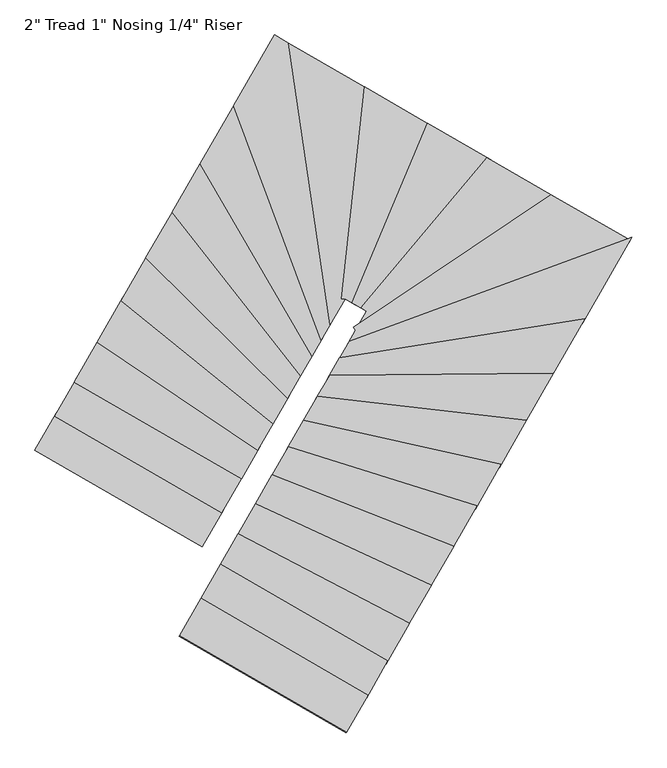
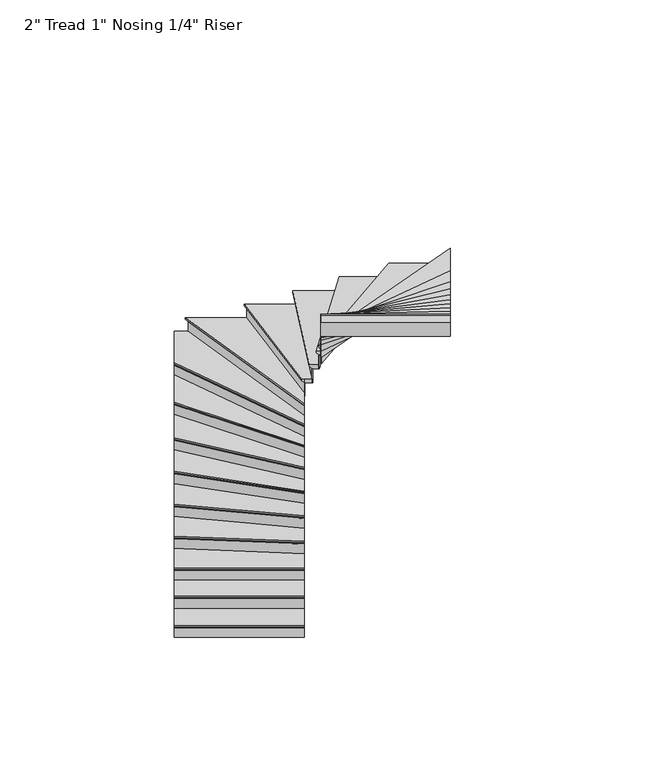
"""IFC4 building model written with IfcOpenShell, lengths in millimetres: stair flight geometry."""

from ifc_helpers import new_model, si_unit, origin, place, context, project, spatial, faceted_brep, source, transform, mapped, element, save


def stair_flight_ecb780d1(model_context):
    return source(origin(), model_context, "Body", "Brep", [
        faceted_brep([(34058.7429103, -105273.2736568, 12348.7961538), (34058.7429103, -105273.2736568, 12367.8461538), (32870.7873116, -104587.6731496, 12367.8461538), (32870.7873116, -104587.6731496, 12348.7961538), (34071.439216, -105251.274479, 12323.3961538), (32883.4836173, -104565.6739719, 12323.3961538), (34211.0985786, -105009.2835238, 12367.8461538), (33023.1429799, -104323.6830166, 12367.8461538), (32883.4836173, -104565.6739719, 12317.0461538), (33023.1429799, -104323.6830166, 12317.0461538), (34211.0985786, -105009.2835238, 12317.0461538), (34071.439216, -105251.274479, 12317.0461538)], [[[0, 1, 2, 3]], [[4, 0, 3, 5]], [[2, 1, 6, 7]], [[8, 9, 10, 11]], [[2, 7, 9, 8, 5, 3]], [[8, 11, 4, 5]], [[6, 1, 0, 4, 11, 10]], [[7, 6, 10, 9]]]),
        faceted_brep([(34071.439216, -105251.274479, 12317.0461538), (34071.439216, -105251.274479, 12192.0), (34074.6132924, -105245.7746846, 12192.0), (34074.6132924, -105245.7746846, 12317.0461538), (32883.4836173, -104565.6739719, 12317.0461538), (32886.6576937, -104560.1741774, 12317.0461538), (32886.6576937, -104560.1741774, 12192.0), (32883.4836173, -104565.6739719, 12192.0)], [[[0, 1, 2, 3]], [[4, 5, 6, 7]], [[1, 0, 4, 7]], [[2, 1, 7, 6]], [[3, 2, 6, 5]], [[0, 3, 5, 4]]]),
        faceted_brep([(34211.0985786, -105009.2835238, 12492.8923077), (34211.0985786, -105009.2835238, 12317.0461538), (34214.272655, -105003.7837293, 12317.0461538), (34214.272655, -105003.7837293, 12492.8923077), (33023.1429799, -104323.6830166, 12492.8923077), (33026.3170563, -104318.1832221, 12492.8923077), (33026.3170563, -104318.1832221, 12317.0461538), (33023.1429799, -104323.6830166, 12317.0461538)], [[[0, 1, 2, 3]], [[4, 5, 6, 7]], [[1, 0, 4, 7]], [[2, 1, 7, 6]], [[3, 2, 6, 5]], [[0, 3, 5, 4]]]),
        faceted_brep([(33010.4466742, -104345.6821943, 12543.6923077), (34198.4022729, -105031.2827015, 12543.6923077), (34350.7579412, -104767.2925685, 12543.6923077), (33162.8023424, -104081.6920613, 12543.6923077), (33023.1429799, -104323.6830166, 12492.8923077), (33162.8023424, -104081.6920613, 12492.8923077), (34350.7579412, -104767.2925685, 12492.8923077), (34211.0985786, -105009.2835238, 12492.8923077), (33023.1429799, -104323.6830166, 12499.2423077), (33010.4466742, -104345.6821943, 12524.6423077), (34211.0985786, -105009.2835238, 12499.2423077), (34198.4022729, -105031.2827015, 12524.6423077)], [[[0, 1, 2, 3]], [[4, 5, 6, 7]], [[0, 3, 5, 4, 8, 9]], [[4, 7, 10, 8]], [[2, 1, 11, 10, 7, 6]], [[3, 2, 6, 5]], [[11, 1, 0, 9]], [[10, 11, 9, 8]]]),
        faceted_brep([(34350.7579412, -104767.2925685, 12668.7384615), (34350.7579412, -104767.2925685, 12492.8923077), (34353.9320176, -104761.792774, 12492.8923077), (34353.9320176, -104761.792774, 12668.7384615), (33162.8023424, -104081.6920613, 12668.7384615), (33165.9764188, -104076.1922668, 12668.7384615), (33165.9764188, -104076.1922668, 12492.8923077), (33162.8023424, -104081.6920613, 12492.8923077)], [[[0, 1, 2, 3]], [[4, 5, 6, 7]], [[1, 0, 4, 7]], [[2, 1, 7, 6]], [[3, 2, 6, 5]], [[0, 3, 5, 4]]]),
        faceted_brep([(33150.1060367, -104103.691239, 12719.5384615), (34338.0616355, -104789.2917462, 12719.5384615), (34466.1119936, -104567.4159771, 12719.5384615), (33326.8309287, -103797.4759977, 12719.5384615), (33162.8023424, -104081.6920613, 12668.7384615), (33326.8309287, -103797.4759977, 12668.7384615), (34466.1119936, -104567.4159771, 12668.7384615), (34350.7579412, -104767.2925685, 12668.7384615), (33162.8023424, -104081.6920613, 12675.0884615), (33150.1060367, -104103.691239, 12700.4884615), (34350.7579412, -104767.2925685, 12675.0884615), (34338.0616355, -104789.2917462, 12700.4884615)], [[[0, 1, 2, 3]], [[4, 5, 6, 7]], [[0, 3, 5, 4, 8, 9]], [[4, 7, 10, 8]], [[2, 1, 11, 10, 7, 6]], [[3, 2, 6, 5]], [[11, 1, 0, 9]], [[10, 11, 9, 8]]]),
        faceted_brep([(34466.1119936, -104567.4159771, 12844.5846154), (34466.1119936, -104567.4159771, 12668.7384615), (34469.2940592, -104561.9023397, 12668.7384615), (34469.2940592, -104561.9023397, 12844.5846154), (33326.8309287, -103797.4759977, 12844.5846154), (33330.0129943, -103791.9623602, 12844.5846154), (33330.0129943, -103791.9623602, 12668.7384615), (33326.8309287, -103797.4759977, 12668.7384615)], [[[0, 1, 2, 3]], [[4, 5, 6, 7]], [[1, 0, 4, 7]], [[2, 1, 7, 6]], [[3, 2, 6, 5]], [[0, 3, 5, 4]]]),
        faceted_brep([(33314.1026662, -103819.5305476, 12895.3846154), (34453.3837311, -104589.4705271, 12895.3846154), (34576.4243037, -104376.2753274, 12895.3846154), (33496.0843406, -103504.2067597, 12895.3846154), (33326.8309287, -103797.4759977, 12844.5846154), (33496.0843406, -103504.2067597, 12844.5846154), (34576.4243037, -104376.2753274, 12844.5846154), (34466.1119936, -104567.4159771, 12844.5846154), (33326.8309287, -103797.4759977, 12850.9346154), (33314.1026662, -103819.5305476, 12876.3346154), (34466.1119936, -104567.4159771, 12850.9346154), (34453.3837311, -104589.4705271, 12876.3346154)], [[[0, 1, 2, 3]], [[4, 5, 6, 7]], [[0, 3, 5, 4, 8, 9]], [[4, 7, 10, 8]], [[2, 1, 11, 10, 7, 6]], [[3, 2, 6, 5]], [[11, 1, 0, 9]], [[10, 11, 9, 8]]]),
        faceted_brep([(34576.4243037, -104376.2753274, 13020.4307692), (34576.4243037, -104376.2753274, 12844.5846154), (34579.6372439, -104370.7081927, 12844.5846154), (34579.6372439, -104370.7081927, 13020.4307692), (33496.0843406, -103504.2067597, 13020.4307692), (33499.2972808, -103498.6396251, 13020.4307692), (33499.2972808, -103498.6396251, 12844.5846154), (33496.0843406, -103504.2067597, 12844.5846154)], [[[0, 1, 2, 3]], [[4, 5, 6, 7]], [[1, 0, 4, 7]], [[2, 1, 7, 6]], [[3, 2, 6, 5]], [[0, 3, 5, 4]]]),
        faceted_brep([(33483.2325797, -103526.4752982, 13071.2307692), (34563.5725428, -104398.5438658, 13071.2307692), (34679.9412357, -104196.9091838, 13071.2307692), (33672.4400651, -103198.631183, 13071.2307692), (33496.0843406, -103504.2067597, 13020.4307692), (33672.4400651, -103198.631183, 13020.4307692), (34679.9412357, -104196.9091838, 13020.4307692), (34576.4243037, -104376.2753274, 13020.4307692), (33496.0843406, -103504.2067597, 13026.7807692), (33483.2325797, -103526.4752982, 13052.1807692), (34576.4243037, -104376.2753274, 13026.7807692), (34563.5725428, -104398.5438658, 13052.1807692)], [[[0, 1, 2, 3]], [[4, 5, 6, 7]], [[0, 3, 5, 4, 8, 9]], [[4, 7, 10, 8]], [[2, 1, 11, 10, 7, 6]], [[3, 2, 6, 5]], [[11, 1, 0, 9]], [[10, 11, 9, 8]]]),
        faceted_brep([(34679.9412357, -104196.9091838, 13196.2769231), (34679.9412357, -104196.9091838, 13020.4307692), (34683.2234174, -104191.222073, 13020.4307692), (34683.2234174, -104191.222073, 13196.2769231), (33672.4400651, -103198.631183, 13196.2769231), (33675.7222468, -103192.9440722, 13196.2769231), (33675.7222468, -103192.9440722, 13020.4307692), (33672.4400651, -103198.631183, 13020.4307692)], [[[0, 1, 2, 3]], [[4, 5, 6, 7]], [[1, 0, 4, 7]], [[2, 1, 7, 6]], [[3, 2, 6, 5]], [[0, 3, 5, 4]]]),
        faceted_brep([(33659.3113385, -103221.3796263, 13247.0769231), (34666.8125091, -104219.6576271, 13247.0769231), (34773.9816638, -104033.9631944, 13247.0769231), (33858.7893199, -102875.7395891, 13247.0769231), (33672.4400651, -103198.631183, 13196.2769231), (33858.7893199, -102875.7395891, 13196.2769231), (34773.9816638, -104033.9631944, 13196.2769231), (34679.9412357, -104196.9091838, 13196.2769231), (33672.4400651, -103198.631183, 13202.6269231), (33659.3113385, -103221.3796263, 13228.0269231), (34679.9412357, -104196.9091838, 13202.6269231), (34666.8125091, -104219.6576271, 13228.0269231)], [[[0, 1, 2, 3]], [[4, 5, 6, 7]], [[0, 3, 5, 4, 8, 9]], [[4, 7, 10, 8]], [[2, 1, 11, 10, 7, 6]], [[3, 2, 6, 5]], [[11, 1, 0, 9]], [[10, 11, 9, 8]]]),
        faceted_brep([(34773.9816638, -104033.9631944, 13372.1230769), (34773.9816638, -104033.9631944, 13196.2769231), (34777.3977151, -104028.0441244, 13196.2769231), (34777.3977151, -104028.0441244, 13372.1230769), (33858.7893199, -102875.7395891, 13372.1230769), (33862.2053713, -102869.8205192, 13372.1230769), (33862.2053713, -102869.8205192, 13196.2769231), (33858.7893199, -102875.7395891, 13196.2769231)], [[[0, 1, 2, 3]], [[4, 5, 6, 7]], [[1, 0, 4, 7]], [[2, 1, 7, 6]], [[3, 2, 6, 5]], [[0, 3, 5, 4]]]),
        faceted_brep([(33845.1251145, -102899.4158688, 13422.9230769), (34760.3174583, -104057.6394741, 13422.9230769), (34854.2213067, -103894.9301393, 13422.9230769), (34059.8187483, -102527.4113245, 13422.9230769), (33858.7893199, -102875.7395891, 13372.1230769), (34059.8187483, -102527.4113245, 13372.1230769), (34854.2213067, -103894.9301393, 13372.1230769), (34773.9816638, -104033.9631944, 13372.1230769), (33858.7893199, -102875.7395891, 13378.4730769), (33845.1251145, -102899.4158688, 13403.8730769), (34773.9816638, -104033.9631944, 13378.4730769), (34760.3174583, -104057.6394741, 13403.8730769)], [[[0, 1, 2, 3]], [[4, 5, 6, 7]], [[0, 3, 5, 4, 8, 9]], [[4, 7, 10, 8]], [[2, 1, 11, 10, 7, 6]], [[3, 2, 6, 5]], [[11, 1, 0, 9]], [[10, 11, 9, 8]]]),
        faceted_brep([(34854.2213067, -103894.9301393, 13547.9692308), (34854.2213067, -103894.9301393, 13372.1230769), (34857.8811513, -103888.5886433, 13372.1230769), (34857.8811513, -103888.5886433, 13547.9692308), (34059.8187483, -102527.4113245, 13547.9692308), (34063.4785929, -102521.0698284, 13547.9692308), (34063.4785929, -102521.0698284, 13372.1230769), (34059.8187483, -102527.4113245, 13372.1230769)], [[[0, 1, 2, 3]], [[4, 5, 6, 7]], [[1, 0, 4, 7]], [[2, 1, 7, 6]], [[3, 2, 6, 5]], [[0, 3, 5, 4]]]),
        faceted_brep([(34045.1793698, -102552.7773087, 13598.7692308), (34839.5819282, -103920.2961236, 13598.7692308), (34920.9943729, -103779.2309282, 13598.7692308), (34299.1595432, -102112.7000831, 13598.7692308), (34059.8187483, -102527.4113245, 13547.9692308), (34299.1595432, -102112.7000831, 13547.9692308), (34920.9943729, -103779.2309282, 13547.9692308), (34854.2213067, -103894.9301393, 13547.9692308), (34059.8187483, -102527.4113245, 13554.3192308), (34045.1793698, -102552.7773087, 13579.7192308), (34854.2213067, -103894.9301393, 13554.3192308), (34839.5819282, -103920.2961236, 13579.7192308)], [[[0, 1, 2, 3]], [[4, 5, 6, 7]], [[0, 3, 5, 4, 8, 9]], [[4, 7, 10, 8]], [[2, 1, 11, 10, 7, 6]], [[3, 2, 6, 5]], [[11, 1, 0, 9]], [[10, 11, 9, 8]]]),
        faceted_brep([(34920.9943729, -103779.2309282, 13723.8153846), (34920.9943729, -103779.2309282, 13547.9692308), (34925.1106859, -103772.098499, 13547.9692308), (34925.1106859, -103772.098499, 13723.8153846), (34299.1595432, -102112.7000831, 13723.8153846), (34303.2758562, -102105.567654, 13723.8153846), (34303.2758562, -102105.567654, 13547.9692308), (34299.1595432, -102112.7000831, 13547.9692308)], [[[0, 1, 2, 3]], [[4, 5, 6, 7]], [[1, 0, 4, 7]], [[2, 1, 7, 6]], [[3, 2, 6, 5]], [[0, 3, 5, 4]]]),
        faceted_brep([(34702.6300907, -101713.9698157, 13774.6153846), (34572.5902855, -101638.9204145, 13774.6153846), (34282.6942913, -102141.2297997, 13774.6153846), (34904.529121, -103807.7606448, 13774.6153846), (34988.6092331, -103662.0731214, 13774.6153846), (34572.5902855, -101638.9204145, 13723.8153846), (34702.6300907, -101713.9698157, 13723.8153846), (34988.6092331, -103662.0731214, 13723.8153846), (34920.9943729, -103779.2309282, 13723.8153846), (34299.1595432, -102112.7000831, 13723.8153846), (34920.9943729, -103779.2309282, 13730.1653846), (34299.1595432, -102112.7000831, 13730.1653846), (34904.529121, -103807.7606448, 13755.5653846), (34282.6942913, -102141.2297997, 13755.5653846)], [[[0, 1, 2, 3, 4]], [[5, 6, 7, 8, 9]], [[1, 0, 6, 5]], [[9, 8, 10, 11]], [[4, 3, 12, 10, 8, 7]], [[0, 4, 7, 6]], [[12, 3, 2, 13]], [[10, 12, 13, 11]], [[2, 1, 5, 9, 11, 13]]]),
        faceted_brep([(34988.6092331, -103662.0731214, 13899.6615385), (34988.6092331, -103662.0731214, 13723.8153846), (34993.725825, -103653.2074862, 13723.8153846), (34993.725825, -103653.2074862, 13899.6615385), (34702.6300907, -101713.9698157, 13899.6615385), (34709.6422249, -101718.0167033, 13899.6615385), (34709.6422249, -101718.0167033, 13723.8153846), (34702.6300907, -101713.9698157, 13723.8153846)], [[[0, 1, 2, 3]], [[4, 5, 6, 7]], [[1, 0, 4, 7]], [[2, 1, 7, 6]], [[3, 2, 6, 5]], [[0, 3, 5, 4]]]),
        faceted_brep([(34674.5815538, -101697.7822653, 13950.4615385), (34968.1428654, -103697.5356624, 13950.4615385), (35074.0644902, -103514.0028531, 13950.4615385), (35236.0103431, -102021.7976268, 13950.4615385), (34702.6300907, -101713.9698157, 13899.6615385), (35236.0103431, -102021.7976268, 13899.6615385), (35074.0644902, -103514.0028531, 13899.6615385), (34988.6092331, -103662.0731214, 13899.6615385), (34702.6300907, -101713.9698157, 13906.0115385), (34674.5815538, -101697.7822653, 13931.4115385), (34988.6092331, -103662.0731214, 13906.0115385), (34968.1428654, -103697.5356624, 13931.4115385)], [[[0, 1, 2, 3]], [[4, 5, 6, 7]], [[0, 3, 5, 4, 8, 9]], [[4, 7, 10, 8]], [[2, 1, 11, 10, 7, 6]], [[3, 2, 6, 5]], [[11, 1, 0, 9]], [[10, 11, 9, 8]]]),
        faceted_brep([(35074.0644902, -103514.0028531, 14075.5076923), (35074.0644902, -103514.0028531, 13899.6615385), (35080.3774212, -103514.6879821, 13899.6615385), (35080.3774212, -103514.6879821, 14075.5076923), (35236.0103431, -102021.7976268, 14075.5076923), (35242.0211473, -102025.2666204, 14075.5076923), (35242.0211473, -102025.2666204, 13899.6615385), (35236.0103431, -102021.7976268, 13899.6615385)], [[[0, 1, 2, 3]], [[4, 5, 6, 7]], [[1, 0, 4, 7]], [[2, 1, 7, 6]], [[3, 2, 6, 5]], [[0, 3, 5, 4]]]),
        faceted_brep([(35211.9671266, -102007.9216524, 14126.3076923), (35048.812766, -103511.2623373, 14126.3076923), (35074.0644902, -103514.0028531, 14126.3076923), (35074.945377, -103512.4765204, 14126.3076923), (35147.2728149, -103554.2185924, 14126.3076923), (35681.2119659, -102278.735225, 14126.3076923), (35236.0103431, -102021.7976268, 14075.5076923), (35681.2119659, -102278.735225, 14075.5076923), (35147.2728149, -103554.2185924, 14075.5076923), (35074.945377, -103512.4765204, 14075.5076923), (35074.0644902, -103514.0028531, 14075.5076923), (35236.0103431, -102021.7976268, 14081.8576923), (35211.9671266, -102007.9216524, 14107.2576923), (35074.0644902, -103514.0028531, 14081.8576923), (35048.812766, -103511.2623373, 14107.2576923)], [[[0, 1, 2, 3, 4, 5]], [[6, 7, 8, 9, 10]], [[0, 5, 7, 6, 11, 12]], [[6, 10, 13, 11]], [[3, 2, 13, 10, 9]], [[4, 3, 9, 8]], [[5, 4, 8, 7]], [[14, 1, 0, 12]], [[13, 14, 12, 11]], [[1, 14, 13, 2]]]),
        faceted_brep([(35147.2728149, -103554.2185924, 14251.3538462), (35147.2728149, -103554.2185924, 14075.5076923), (35152.8172476, -103557.4184307, 14075.5076923), (35152.8172476, -103557.4184307, 14251.3538462), (35681.2119659, -102278.735225, 14251.3538462), (35686.7563986, -102281.9350634, 14251.3538462), (35686.7563986, -102281.9350634, 14075.5076923), (35681.2119659, -102278.735225, 14075.5076923)], [[[0, 1, 2, 3]], [[4, 5, 6, 7]], [[1, 0, 4, 7]], [[2, 1, 7, 6]], [[3, 2, 6, 5]], [[0, 3, 5, 4]]]),
        faceted_brep([(35659.0342352, -102265.9358717, 14302.1538462), (35125.0950842, -103541.419239, 14302.1538462), (35209.7916954, -103590.2998871, 14302.1538462), (36104.2961835, -102522.9082854, 14302.1538462), (35681.2119659, -102278.735225, 14251.3538462), (36104.2961835, -102522.9082854, 14251.3538462), (35209.7916954, -103590.2998871, 14251.3538462), (35147.2728149, -103554.2185924, 14251.3538462), (35681.2119659, -102278.735225, 14257.7038462), (35659.0342352, -102265.9358717, 14283.1038462), (35147.2728149, -103554.2185924, 14257.7038462), (35125.0950842, -103541.419239, 14283.1038462)], [[[0, 1, 2, 3]], [[4, 5, 6, 7]], [[0, 3, 5, 4, 8, 9]], [[4, 7, 10, 8]], [[3, 2, 6, 5]], [[11, 1, 0, 9]], [[10, 11, 9, 8]], [[2, 1, 11, 10, 7, 6]]]),
        faceted_brep([(35209.7916954, -103590.2998871, 14427.2), (35209.7916954, -103590.2998871, 14251.3538462), (35215.3758797, -103593.5226672, 14251.3538462), (35215.3758797, -103593.5226672, 14427.2), (36104.2961835, -102522.9082854, 14427.2), (36109.8803678, -102526.1310655, 14427.2), (36109.8803678, -102526.1310655, 14251.3538462), (36104.2961835, -102522.9082854, 14251.3538462)], [[[0, 1, 2, 3]], [[4, 5, 6, 7]], [[1, 0, 4, 7]], [[2, 1, 7, 6]], [[3, 2, 6, 5]], [[0, 3, 5, 4]]]),
        faceted_brep([(36081.9594463, -102510.0171653, 14478.0), (35187.4549582, -103577.408767, 14478.0), (35227.850771, -103600.722256, 14478.0), (35150.8603109, -103734.1253779, 14478.0), (36560.749701, -102786.3396489, 14478.0), (36104.2961835, -102522.9082854, 14427.2), (36560.749701, -102786.3396489, 14427.2), (35150.8603109, -103734.1253779, 14427.2), (35227.850771, -103600.722256, 14427.2), (35209.7916954, -103590.2998871, 14427.2), (36104.2961835, -102522.9082854, 14433.55), (36081.9594463, -102510.0171653, 14458.95), (35209.7916954, -103590.2998871, 14433.55), (35187.4549582, -103577.408767, 14458.95)], [[[0, 1, 2, 3, 4]], [[5, 6, 7, 8, 9]], [[0, 4, 6, 5, 10, 11]], [[5, 9, 12, 10]], [[2, 1, 13, 12, 9, 8]], [[4, 3, 7, 6]], [[13, 1, 0, 11]], [[12, 13, 11, 10]], [[3, 2, 8, 7]]]),
        faceted_brep([(35150.8603109, -103734.1253779, 14603.0461538), (35150.8603109, -103734.1253779, 14427.2), (35154.4029692, -103739.3952994, 14427.2), (35154.4029692, -103739.3952994, 14603.0461538), (36560.749701, -102786.3396489, 14603.0461538), (36566.8739534, -102789.8741165, 14603.0461538), (36566.8739534, -102789.8741165, 14427.2), (36560.749701, -102786.3396489, 14427.2)], [[[0, 1, 2, 3]], [[4, 5, 6, 7]], [[1, 0, 4, 7]], [[2, 1, 7, 6]], [[3, 2, 6, 5]], [[0, 3, 5, 4]]]),
        faceted_brep([(37094.2233393, -103110.8142435, 14653.8461538), (37101.4068769, -103098.3671644, 14653.8461538), (36536.2526915, -102772.2017786, 14653.8461538), (35136.6896777, -103713.0456921, 14653.8461538), (35150.8603109, -103734.1253779, 14653.8461538), (35085.0928584, -103848.0821394, 14653.8461538), (37101.4068769, -103098.3671644, 14603.0461538), (37094.2233393, -103110.8142435, 14603.0461538), (35085.0928584, -103848.0821394, 14603.0461538), (35150.8603109, -103734.1253779, 14603.0461538), (36560.749701, -102786.3396489, 14603.0461538), (35150.8603109, -103734.1253779, 14609.3961538), (36560.749701, -102786.3396489, 14609.3961538), (35136.6896777, -103713.0456921, 14634.7961538), (36536.2526915, -102772.2017786, 14634.7961538)], [[[0, 1, 2, 3, 4, 5]], [[6, 7, 8, 9, 10]], [[1, 0, 7, 6]], [[10, 9, 11, 12]], [[5, 4, 11, 9, 8]], [[0, 5, 8, 7]], [[13, 3, 2, 14]], [[11, 13, 14, 12]], [[3, 13, 11, 4]], [[2, 1, 6, 10, 12, 14]]]),
        faceted_brep([(35085.0928584, -103848.0821394, 14778.8923077), (35085.0928584, -103848.0821394, 14603.0461538), (35080.1402879, -103856.6635709, 14603.0461538), (35080.1402879, -103856.6635709, 14778.8923077), (37094.2233393, -103110.8142435, 14778.8923077), (37089.2707688, -103119.3956751, 14778.8923077), (37089.2707688, -103119.3956751, 14603.0461538), (37094.2233393, -103110.8142435, 14603.0461538)], [[[0, 1, 2, 3]], [[4, 5, 6, 7]], [[1, 0, 4, 7]], [[2, 1, 7, 6]], [[3, 2, 6, 5]], [[0, 3, 5, 4]]]),
        faceted_brep([(37114.0336213, -103076.4885172, 14829.6923077), (35104.9031404, -103813.7564131, 14829.6923077), (35019.9504335, -103960.9559012, 14829.6923077), (36764.2781484, -103682.5177832, 14829.6923077), (37094.2233393, -103110.8142435, 14778.8923077), (36764.2781484, -103682.5177832, 14778.8923077), (35019.9504335, -103960.9559012, 14778.8923077), (35085.0928584, -103848.0821394, 14778.8923077), (37094.2233393, -103110.8142435, 14785.2423077), (37114.0336213, -103076.4885172, 14810.6423077), (35085.0928584, -103848.0821394, 14785.2423077), (35104.9031404, -103813.7564131, 14810.6423077)], [[[0, 1, 2, 3]], [[4, 5, 6, 7]], [[0, 3, 5, 4, 8, 9]], [[4, 7, 10, 8]], [[2, 1, 11, 10, 7, 6]], [[3, 2, 6, 5]], [[11, 1, 0, 9]], [[10, 11, 9, 8]]]),
        faceted_brep([(35019.9504335, -103960.9559012, 14954.7384615), (35019.9504335, -103960.9559012, 14778.8923077), (35015.8627092, -103968.0387942, 14778.8923077), (35015.8627092, -103968.0387942, 14954.7384615), (36764.2781484, -103682.5177832, 14954.7384615), (36760.1904241, -103689.6006762, 14954.7384615), (36760.1904241, -103689.6006762, 14778.8923077), (36764.2781484, -103682.5177832, 14778.8923077)], [[[0, 1, 2, 3]], [[4, 5, 6, 7]], [[1, 0, 4, 7]], [[2, 1, 7, 6]], [[3, 2, 6, 5]], [[0, 3, 5, 4]]]),
        faceted_brep([(36780.6290459, -103654.1862112, 15005.5384615), (35036.301331, -103932.6243292, 15005.5384615), (34951.5828788, -104079.4179189, 15005.5384615), (36542.1715296, -104067.3669754, 15005.5384615), (36764.2781484, -103682.5177832, 14954.7384615), (36542.1715296, -104067.3669754, 14954.7384615), (34951.5828788, -104079.4179189, 14954.7384615), (35019.9504335, -103960.9559012, 14954.7384615), (36764.2781484, -103682.5177832, 14961.0884615), (36780.6290459, -103654.1862112, 14986.4884615), (35019.9504335, -103960.9559012, 14961.0884615), (35036.301331, -103932.6243292, 14986.4884615)], [[[0, 1, 2, 3]], [[4, 5, 6, 7]], [[0, 3, 5, 4, 8, 9]], [[4, 7, 10, 8]], [[2, 1, 11, 10, 7, 6]], [[3, 2, 6, 5]], [[11, 1, 0, 9]], [[10, 11, 9, 8]]]),
        faceted_brep([(34951.5828788, -104079.4179189, 15130.5846154), (34951.5828788, -104079.4179189, 14954.7384615), (34947.901926, -104085.7959895, 14954.7384615), (34947.901926, -104085.7959895, 15130.5846154), (36542.1715296, -104067.3669754, 15130.5846154), (36538.4905768, -104073.745046, 15130.5846154), (36538.4905768, -104073.745046, 14954.7384615), (36542.1715296, -104067.3669754, 14954.7384615)], [[[0, 1, 2, 3]], [[4, 5, 6, 7]], [[1, 0, 4, 7]], [[2, 1, 7, 6]], [[3, 2, 6, 5]], [[0, 3, 5, 4]]]),
        faceted_brep([(36556.8953407, -104041.8546928, 15181.3846154), (34966.3066899, -104053.9056363, 15181.3846154), (34866.3512228, -104227.1007485, 15181.3846154), (36349.8802275, -104400.5544899, 15181.3846154), (36542.1715296, -104067.3669754, 15130.5846154), (36349.8802275, -104400.5544899, 15130.5846154), (34866.3512228, -104227.1007485, 15130.5846154), (34951.5828788, -104079.4179189, 15130.5846154), (36542.1715296, -104067.3669754, 15136.9346154), (36556.8953407, -104041.8546928, 15162.3346154), (34951.5828788, -104079.4179189, 15136.9346154), (34966.3066899, -104053.9056363, 15162.3346154)], [[[0, 1, 2, 3]], [[4, 5, 6, 7]], [[0, 3, 5, 4, 8, 9]], [[4, 7, 10, 8]], [[2, 1, 11, 10, 7, 6]], [[3, 2, 6, 5]], [[11, 1, 0, 9]], [[10, 11, 9, 8]]]),
        faceted_brep([(34866.3512228, -104227.1007485, 15306.4307692), (34866.3512228, -104227.1007485, 15130.5846154), (34862.8947409, -104233.0898734, 15130.5846154), (34862.8947409, -104233.0898734, 15306.4307692), (36349.8802275, -104400.5544899, 15306.4307692), (36346.4237456, -104406.5436147, 15306.4307692), (36346.4237456, -104406.5436147, 15130.5846154), (36349.8802275, -104400.5544899, 15130.5846154)], [[[0, 1, 2, 3]], [[4, 5, 6, 7]], [[1, 0, 4, 7]], [[2, 1, 7, 6]], [[3, 2, 6, 5]], [[0, 3, 5, 4]]]),
        faceted_brep([(36363.7061551, -104376.5979906, 15357.2307692), (34880.1771504, -104203.1442492, 15357.2307692), (34767.3003859, -104398.7283874, 15357.2307692), (36170.6479419, -104711.1143493, 15357.2307692), (36349.8802275, -104400.5544899, 15306.4307692), (36170.6479419, -104711.1143493, 15306.4307692), (34767.3003859, -104398.7283874, 15306.4307692), (34866.3512228, -104227.1007485, 15306.4307692), (36349.8802275, -104400.5544899, 15312.7807692), (36363.7061551, -104376.5979906, 15338.1807692), (34866.3512228, -104227.1007485, 15312.7807692), (34880.1771504, -104203.1442492, 15338.1807692)], [[[0, 1, 2, 3]], [[4, 5, 6, 7]], [[0, 3, 5, 4, 8, 9]], [[4, 7, 10, 8]], [[2, 1, 11, 10, 7, 6]], [[3, 2, 6, 5]], [[11, 1, 0, 9]], [[10, 11, 9, 8]]]),
        faceted_brep([(34767.3003859, -104398.7283874, 15482.2769231), (34767.3003859, -104398.7283874, 15306.4307692), (34763.9733544, -104404.4932107, 15306.4307692), (34763.9733544, -104404.4932107, 15482.2769231), (36170.6479419, -104711.1143493, 15482.2769231), (36167.3209103, -104716.8791726, 15482.2769231), (36167.3209103, -104716.8791726, 15306.4307692), (36170.6479419, -104711.1143493, 15306.4307692)], [[[0, 1, 2, 3]], [[4, 5, 6, 7]], [[1, 0, 4, 7]], [[2, 1, 7, 6]], [[3, 2, 6, 5]], [[0, 3, 5, 4]]]),
        faceted_brep([(36183.9560681, -104688.0550562, 15533.0769231), (34780.6085122, -104375.6690942, 15533.0769231), (34659.0883244, -104586.2298886, 15533.0769231), (36000.1395375, -105006.5581412, 15533.0769231), (36170.6479419, -104711.1143493, 15482.2769231), (36000.1395375, -105006.5581412, 15482.2769231), (34659.0883244, -104586.2298886, 15482.2769231), (34767.3003859, -104398.7283874, 15482.2769231), (36170.6479419, -104711.1143493, 15488.6269231), (36183.9560681, -104688.0550562, 15514.0269231), (34767.3003859, -104398.7283874, 15488.6269231), (34780.6085122, -104375.6690942, 15514.0269231)], [[[0, 1, 2, 3]], [[4, 5, 6, 7]], [[0, 3, 5, 4, 8, 9]], [[4, 7, 10, 8]], [[2, 1, 11, 10, 7, 6]], [[3, 2, 6, 5]], [[11, 1, 0, 9]], [[10, 11, 9, 8]]]),
        faceted_brep([(34659.0883244, -104586.2298886, 15658.1230769), (34659.0883244, -104586.2298886, 15482.2769231), (34655.8360753, -104591.8651347, 15482.2769231), (34655.8360753, -104591.8651347, 15658.1230769), (36000.1395375, -105006.5581412, 15658.1230769), (35996.8872884, -105012.1933873, 15658.1230769), (35996.8872884, -105012.1933873, 15482.2769231), (36000.1395375, -105006.5581412, 15482.2769231)], [[[0, 1, 2, 3]], [[4, 5, 6, 7]], [[1, 0, 4, 7]], [[2, 1, 7, 6]], [[3, 2, 6, 5]], [[0, 3, 5, 4]]]),
        faceted_brep([(36013.1485342, -104984.0171568, 15708.9230769), (34672.097321, -104563.6889042, 15708.9230769), (34544.4958065, -104784.7869517, 15708.9230769), (35835.7520981, -105291.395998, 15708.9230769), (36000.1395375, -105006.5581412, 15658.1230769), (35835.7520981, -105291.395998, 15658.1230769), (34544.4958065, -104784.7869517, 15658.1230769), (34659.0883244, -104586.2298886, 15658.1230769), (36000.1395375, -105006.5581412, 15664.4730769), (36013.1485342, -104984.0171568, 15689.8730769), (34659.0883244, -104586.2298886, 15664.4730769), (34672.097321, -104563.6889042, 15689.8730769)], [[[0, 1, 2, 3]], [[4, 5, 6, 7]], [[0, 3, 5, 4, 8, 9]], [[4, 7, 10, 8]], [[2, 1, 11, 10, 7, 6]], [[3, 2, 6, 5]], [[11, 1, 0, 9]], [[10, 11, 9, 8]]]),
        faceted_brep([(34544.4958065, -104784.7869517, 15833.9692308), (34544.4958065, -104784.7869517, 15658.1230769), (34541.2859034, -104790.348824, 15658.1230769), (34541.2859034, -104790.348824, 15833.9692308), (35835.7520981, -105291.395998, 15833.9692308), (35832.5421949, -105296.9578703, 15833.9692308), (35832.5421949, -105296.9578703, 15658.1230769), (35835.7520981, -105291.395998, 15658.1230769)], [[[0, 1, 2, 3]], [[4, 5, 6, 7]], [[1, 0, 4, 7]], [[2, 1, 7, 6]], [[3, 2, 6, 5]], [[0, 3, 5, 4]]]),
        faceted_brep([(35848.5917108, -105269.1485089, 15884.7692308), (34557.3354193, -104762.5394626, 15884.7692308), (34425.2836892, -104991.3484999, 15884.7692308), (35675.8265187, -105568.5026883, 15884.7692308), (35835.7520981, -105291.395998, 15833.9692308), (35675.8265187, -105568.5026883, 15833.9692308), (34425.2836892, -104991.3484999, 15833.9692308), (34544.4958065, -104784.7869517, 15833.9692308), (35835.7520981, -105291.395998, 15840.3192308), (35848.5917108, -105269.1485089, 15865.7192308), (34544.4958065, -104784.7869517, 15840.3192308), (34557.3354193, -104762.5394626, 15865.7192308)], [[[0, 1, 2, 3]], [[4, 5, 6, 7]], [[0, 3, 5, 4, 8, 9]], [[4, 7, 10, 8]], [[2, 1, 11, 10, 7, 6]], [[3, 2, 6, 5]], [[11, 1, 0, 9]], [[10, 11, 9, 8]]]),
        faceted_brep([(34425.2836892, -104991.3484999, 16009.8153846), (34425.2836892, -104991.3484999, 15833.9692308), (34422.0964146, -104996.8711631, 15833.9692308), (34422.0964146, -104996.8711631, 16009.8153846), (35675.8265187, -105568.5026883, 16009.8153846), (35672.6392441, -105574.0253516, 16009.8153846), (35672.6392441, -105574.0253516, 15833.9692308), (35675.8265187, -105568.5026883, 15833.9692308)], [[[0, 1, 2, 3]], [[4, 5, 6, 7]], [[1, 0, 4, 7]], [[2, 1, 7, 6]], [[3, 2, 6, 5]], [[0, 3, 5, 4]]]),
        faceted_brep([(35688.5756172, -105546.4120353, 16060.6153846), (34438.0327877, -104969.2578469, 16060.6153846), (34302.6203992, -105203.8899735, 16060.6153846), (35519.2544638, -105839.7986504, 16060.6153846), (35675.8265187, -105568.5026883, 16009.8153846), (35519.2544638, -105839.7986504, 16009.8153846), (34302.6203992, -105203.8899735, 16009.8153846), (34425.2836892, -104991.3484999, 16009.8153846), (35675.8265187, -105568.5026883, 16016.1653846), (35688.5756172, -105546.4120353, 16041.5653846), (34425.2836892, -104991.3484999, 16016.1653846), (34438.0327877, -104969.2578469, 16041.5653846)], [[[0, 1, 2, 3]], [[4, 5, 6, 7]], [[0, 3, 5, 4, 8, 9]], [[4, 7, 10, 8]], [[2, 1, 11, 10, 7, 6]], [[3, 2, 6, 5]], [[11, 1, 0, 9]], [[10, 11, 9, 8]]]),
        faceted_brep([(34302.6203992, -105203.8899735, 16185.6615385), (34302.6203992, -105203.8899735, 16009.8153846), (34299.4435471, -105209.3945774, 16009.8153846), (34299.4435471, -105209.3945774, 16185.6615385), (35519.2544638, -105839.7986504, 16185.6615385), (35516.0776117, -105845.3032543, 16185.6615385), (35516.0776117, -105845.3032543, 16009.8153846), (35519.2544638, -105839.7986504, 16009.8153846)], [[[0, 1, 2, 3]], [[4, 5, 6, 7]], [[1, 0, 4, 7]], [[2, 1, 7, 6]], [[3, 2, 6, 5]], [[0, 3, 5, 4]]]),
        faceted_brep([(35531.9618722, -105817.7802348, 16236.4615385), (34315.3278076, -105181.871558, 16236.4615385), (34177.3113722, -105421.0157758, 16236.4615385), (35365.266971, -106106.616283, 16236.4615385), (35519.2544638, -105839.7986504, 16185.6615385), (35365.266971, -106106.616283, 16185.6615385), (34177.3113722, -105421.0157758, 16185.6615385), (34302.6203992, -105203.8899735, 16185.6615385), (35519.2544638, -105839.7986504, 16192.0115385), (35531.9618722, -105817.7802348, 16217.4115385), (34302.6203992, -105203.8899735, 16192.0115385), (34315.3278076, -105181.871558, 16217.4115385)], [[[0, 1, 2, 3]], [[4, 5, 6, 7]], [[0, 3, 5, 4, 8, 9]], [[4, 7, 10, 8]], [[2, 1, 11, 10, 7, 6]], [[3, 2, 6, 5]], [[11, 1, 0, 9]], [[10, 11, 9, 8]]]),
        faceted_brep([(34177.3113722, -105421.0157758, 16361.5076923), (34177.3113722, -105421.0157758, 16185.6615385), (34174.1372958, -105426.5155703, 16185.6615385), (34174.1372958, -105426.5155703, 16361.5076923), (35365.266971, -106106.616283, 16361.5076923), (35362.0928945, -106112.1160775, 16361.5076923), (35362.0928945, -106112.1160775, 16185.6615385), (35365.266971, -106106.616283, 16185.6615385)], [[[0, 1, 2, 3]], [[4, 5, 6, 7]], [[1, 0, 4, 7]], [[2, 1, 7, 6]], [[3, 2, 6, 5]], [[0, 3, 5, 4]]]),
        faceted_brep([(35377.9632767, -106084.6171053, 16412.3076923), (34190.0076779, -105399.0165981, 16412.3076923), (34037.6520097, -105663.0067311, 16412.3076923), (35225.6076084, -106348.6072383, 16412.3076923), (35365.266971, -106106.616283, 16361.5076923), (35225.6076084, -106348.6072383, 16361.5076923), (34037.6520097, -105663.0067311, 16361.5076923), (34177.3113722, -105421.0157758, 16361.5076923), (35365.266971, -106106.616283, 16367.8576923), (35377.9632767, -106084.6171053, 16393.2576923), (34177.3113722, -105421.0157758, 16367.8576923), (34190.0076779, -105399.0165981, 16393.2576923)], [[[0, 1, 2, 3]], [[4, 5, 6, 7]], [[0, 3, 5, 4, 8, 9]], [[4, 7, 10, 8]], [[2, 1, 11, 10, 7, 6]], [[3, 2, 6, 5]], [[11, 1, 0, 9]], [[10, 11, 9, 8]]]),
        faceted_brep([(34037.6520097, -105663.0067311, 16537.3538462), (34037.6520097, -105663.0067311, 16361.5076923), (34034.4779332, -105668.5065256, 16361.5076923), (34034.4779332, -105668.5065256, 16537.3538462), (35225.6076084, -106348.6072383, 16537.3538462), (35222.433532, -106354.1070327, 16537.3538462), (35222.433532, -106354.1070327, 16361.5076923), (35225.6076084, -106348.6072383, 16361.5076923)], [[[0, 1, 2, 3]], [[4, 5, 6, 7]], [[1, 0, 4, 7]], [[2, 1, 7, 6]], [[3, 2, 6, 5]], [[0, 3, 5, 4]]]),
        faceted_brep([(33897.9926471, -105904.9976864, 16713.2), (33897.9926471, -105904.9976864, 16537.3538462), (33894.8185707, -105910.4974809, 16537.3538462), (33894.8185707, -105910.4974809, 16713.2), (35085.9482458, -106590.5981936, 16713.2), (35082.7741694, -106596.097988, 16713.2), (35082.7741694, -106596.097988, 16537.3538462), (35085.9482458, -106590.5981936, 16537.3538462)], [[[0, 1, 2, 3]], [[4, 5, 6, 7]], [[1, 0, 4, 7]], [[2, 1, 7, 6]], [[3, 2, 6, 5]], [[0, 3, 5, 4]]]),
        faceted_brep([(35238.3039141, -106326.6080606, 16588.1538462), (34050.3483154, -105641.0075534, 16588.1538462), (33897.9926471, -105904.9976864, 16588.1538462), (35085.9482458, -106590.5981936, 16588.1538462), (35225.6076084, -106348.6072383, 16537.3538462), (35085.9482458, -106590.5981936, 16537.3538462), (33897.9926471, -105904.9976864, 16537.3538462), (34037.6520097, -105663.0067311, 16537.3538462), (35225.6076084, -106348.6072383, 16543.7038462), (35238.3039141, -106326.6080606, 16569.1038462), (34037.6520097, -105663.0067311, 16543.7038462), (34050.3483154, -105641.0075534, 16569.1038462)], [[[0, 1, 2, 3]], [[4, 5, 6, 7]], [[0, 3, 5, 4, 8, 9]], [[4, 7, 10, 8]], [[2, 1, 11, 10, 7, 6]], [[3, 2, 6, 5]], [[11, 1, 0, 9]], [[10, 11, 9, 8]]]),
    ])


if __name__ == "__main__":
    model = new_model("IFC4")
    model_context = context("Model", 3, world=origin())
    ifc_project = project(units=[si_unit("LENGTHUNIT", "METRE", prefix="MILLI")], contexts=[model_context])
    site = spatial("IfcSite", under=ifc_project)
    building = spatial("IfcBuilding", under=site)
    placement = place(None, origin())
    stair_flight_shape = stair_flight_ecb780d1(model_context)
    element("IfcStairFlight", 1, ObjectType="2\" Tread 1\" Nosing 1/4\" Riser", at=placement, inside=building, context=model_context, shape_type="MappedRepresentation", body=[
        mapped(stair_flight_shape, transform((0.0, 0.0, 0.0), x_axis=(1.0, 0.0, 0.0), y_axis=(0.0, 1.0, 0.0), z_axis=(0.0, 0.0, 1.0))),
    ])
    save(model, "model.ifc")
